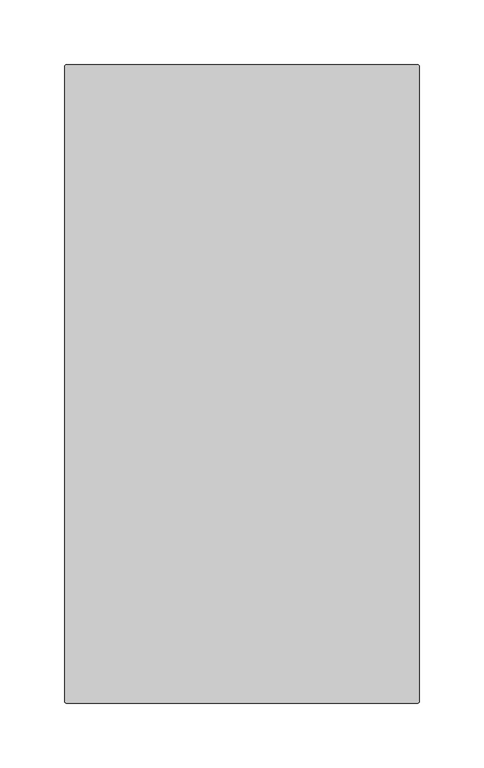
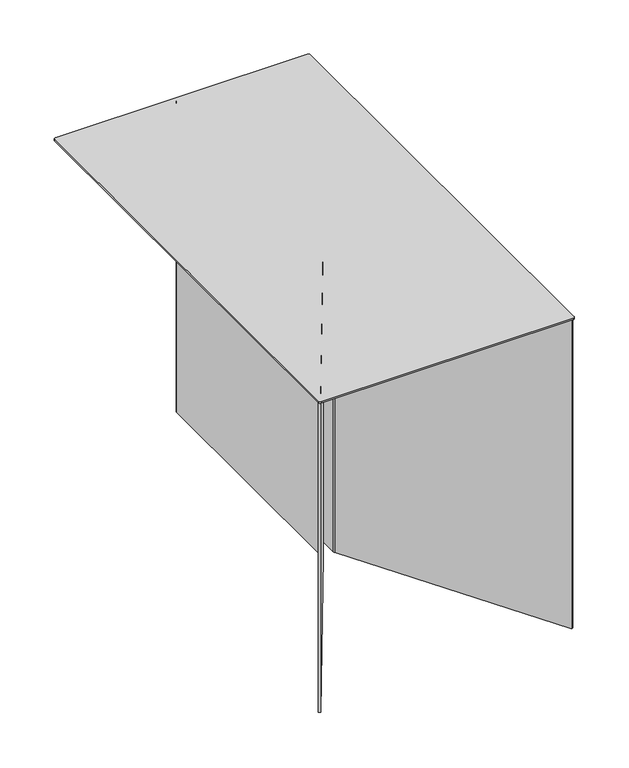
"""IFC4 building model written with IfcOpenShell, lengths in millimetres: furniture geometry."""

from ifc_helpers import new_model, si_unit, point, frame, frame_2d, origin, origin_with_axes, place, context, project, spatial, polyline, circle_curve, trimmed, segment, composite_curve, outline, extrude, source, transform, mapped, element, save


def furniture_c89a2d32(model_context):
    return source(origin(), model_context, "Body", "SweptSolid", [
        extrude(outline(composite_curve([segment(trimmed(circle_curve(frame_2d((6.2607395, 244.2434328)), 1.2573143), [point((6.2607395, 245.5007471))], [point((7.5180538, 244.2434328))], False, "CARTESIAN"), True, "CONTINUOUS"), segment(polyline([(7.5180538, 244.2434328), (7.5180538, -24.5519372)]), True, "CONTINUOUS"), segment(trimmed(circle_curve(frame_2d((11.9665193, -24.5519372)), 4.4484656), [point((7.5180538, -24.5519372))], [point((8.1358061, -26.8134593))], True, "CARTESIAN"), True, "CONTINUOUS"), segment(polyline([(8.1358061, -26.8134593), (136.7658616, -244.6954202), (135.0295668, -245.6884192), (6.2730212, -27.5921998)]), True, "CONTINUOUS"), segment(trimmed(circle_curve(frame_2d((10.9551262, -24.8280452)), 5.4371553), [point((6.2730212, -27.5921998))], [point((5.5179709, -24.8280452))], False, "CARTESIAN"), True, "CONTINUOUS"), segment(polyline([(5.5179709, -24.8280452), (5.5179709, 243.5007965), (-5.5179709, 243.5007965), (-5.5179709, -24.8280452)]), True, "CONTINUOUS"), segment(trimmed(circle_curve(frame_2d((-10.9551262, -24.8280452)), 5.4371553), [point((-5.5179709, -24.8280452))], [point((-6.2730212, -27.5921998))], False, "CARTESIAN"), True, "CONTINUOUS"), segment(polyline([(-6.2730212, -27.5921998), (-135.0295668, -245.6884192), (-136.7658616, -244.6954202), (-8.1358061, -26.8134593)]), True, "CONTINUOUS"), segment(trimmed(circle_curve(frame_2d((-11.9665193, -24.5519372)), 4.4484656), [point((-8.1358061, -26.8134593))], [point((-7.5180538, -24.5519372))], True, "CARTESIAN"), True, "CONTINUOUS"), segment(polyline([(-7.5180538, -24.5519372), (-7.5180538, 244.2434328)]), True, "CONTINUOUS"), segment(trimmed(circle_curve(frame_2d((-6.2607395, 244.2434328)), 1.2573143), [point((-7.5180538, 244.2434328))], [point((-6.2607395, 245.5007471))], False, "CARTESIAN"), True, "CONTINUOUS"), segment(polyline([(-6.2607395, 245.5007471), (6.2607395, 245.5007471)]), True, "CONTINUOUS")], self_intersect=False)), origin_with_axes(), (0.0, 0.0, 1.0), 353.0001829),
        extrude(outline(composite_curve([segment(trimmed(circle_curve(frame_2d((-135.5003593, 245.5001312)), 2.0000051), [point((-137.5003644, 245.5001312))], [point((-135.5003593, 247.5001363))], False, "CARTESIAN"), True, "CONTINUOUS"), segment(polyline([(-135.5003593, 247.5001363), (135.499787, 247.5001363)]), True, "CONTINUOUS"), segment(trimmed(circle_curve(frame_2d((135.499787, 245.5001312)), 2.0000051), [point((135.499787, 247.5001363))], [point((137.4997921, 245.5001312))], False, "CARTESIAN"), True, "CONTINUOUS"), segment(polyline([(137.4997921, 245.5001312), (137.4997921, -245.5001312)]), True, "CONTINUOUS"), segment(trimmed(circle_curve(frame_2d((135.499787, -245.5001312)), 2.0000051), [point((137.4997921, -245.5001312))], [point((135.499787, -247.5001363))], False, "CARTESIAN"), True, "CONTINUOUS"), segment(polyline([(135.499787, -247.5001363), (-135.5003606, -247.5001363)]), True, "CONTINUOUS"), segment(trimmed(circle_curve(frame_2d((-135.5003606, -245.5001326)), 2.0000038), [point((-135.5003606, -247.5001363))], [point((-137.5003644, -245.5001326))], False, "CARTESIAN"), True, "CONTINUOUS"), segment(polyline([(-137.5003644, -245.5001326), (-137.5003644, 245.5001312)]), True, "CONTINUOUS")], self_intersect=False)), frame((0.0, 0.0, 353.0001829), z_axis=(0.0, 0.0, 1.0), x_axis=(1.0, 0.0, 0.0)), (0.0, 0.0, 1.0), 2.0000233),
    ])


if __name__ == "__main__":
    model = new_model("IFC4")
    model_context = context("Model", 3, world=origin())
    ifc_project = project(units=[si_unit("LENGTHUNIT", "METRE", prefix="MILLI")], contexts=[model_context])
    site = spatial("IfcSite", under=ifc_project)
    building = spatial("IfcBuilding", under=site)
    placement = place(None, origin())
    furniture_shape = furniture_c89a2d32(model_context)
    element("IfcFurniture", 1, at=placement, inside=building, context=model_context, shape_type="MappedRepresentation", body=[
        mapped(furniture_shape, transform((0.0, 0.0, 0.0), x_axis=(1.0, 0.0, 0.0), y_axis=(0.0, 1.0, 0.0), z_axis=(0.0, 0.0, 1.0))),
    ])
    save(model, "model.ifc")
